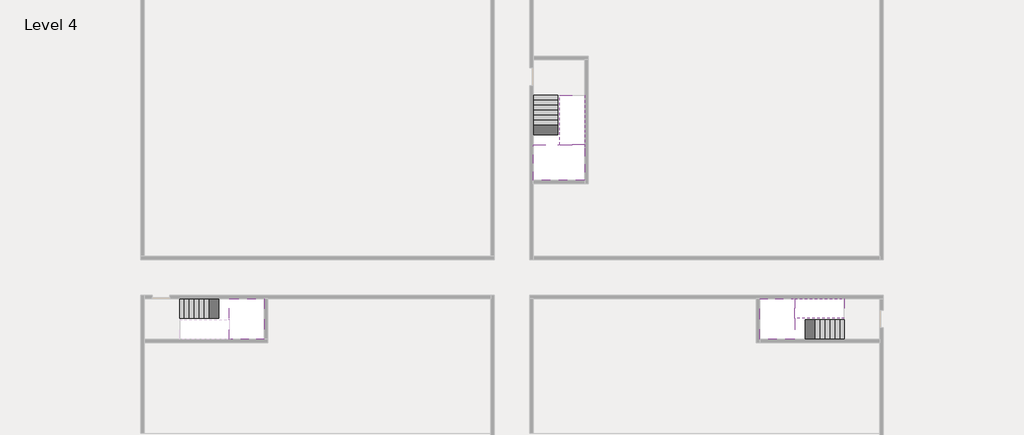
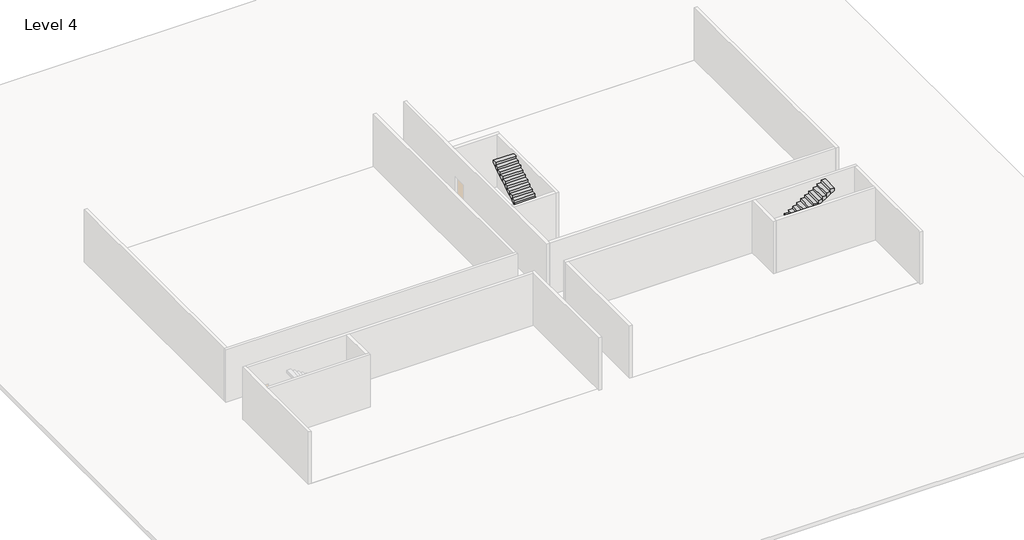
# One storey, part 2 of 2: 5 stair flights, 3 slabs.
"""IFC4 building model written with IfcOpenShell, lengths in millimetres."""

from ifc_helpers import new_model, si_unit, origin, place, context, project, spatial, faceted_brep, element, save

model = new_model("IFC4")

# Units and contexts
model_context = context("Model", 3, world=origin())
ifc_project = project(units=[si_unit("LENGTHUNIT", "METRE", prefix="MILLI")], contexts=[model_context])

# Site, building, storey
site = spatial("IfcSite", under=ifc_project)
building = spatial("IfcBuilding", under=site)
storey = spatial("IfcBuildingStorey", under=building, Name="Level 4", Elevation=11400.0)

# Slabs
placement = place(None, origin())
element("IfcSlab", 1, at=placement, inside=storey, context=model_context, shape_type="Brep", body=[
    faceted_brep([(8190.1058784, -42918.09644, 13300.0), (8190.1058784, -44018.09644, 13300.0), (8190.1058784, -44118.09644, 13300.0), (8190.1058784, -45218.09644, 13300.0), (8390.7194421, -45218.09644, 13300.0), (10190.1058784, -45218.09644, 13300.0), (10190.1058784, -42918.09644, 13300.0), (8269.4923146, -42918.09644, 13300.0), (8190.1058784, -42918.09644, 13127.2727273), (8190.1058784, -42918.09644, 12951.0278478), (8190.1058784, -44018.09644, 12951.0278478), (8190.1058784, -44018.09644, 13000.0), (8190.1058784, -44118.09644, 13000.0), (8190.1058784, -44118.09644, 13123.7551205), (8190.1058784, -45218.09644, 13123.7551205), (8390.7194421, -45218.09644, 13000.0), (10190.1058784, -45218.09644, 13000.0), (10190.1058784, -42918.09644, 13000.0), (8269.4923146, -42918.09644, 13000.0), (8390.7194421, -44118.09644, 13000.0), (8269.4923146, -44018.09644, 13000.0)], [[[0, 1, 2, 3, 4, 5, 6, 7]], [[1, 0, 8, 9, 10, 11]], [[2, 1, 11, 12, 13]], [[3, 2, 13, 14]], [[3, 14, 15, 16, 5, 4]], [[6, 5, 16, 17]], [[9, 8, 0, 7, 6, 17, 18]], [[19, 12, 11, 20, 18, 17, 16, 15]], [[12, 19, 13]], [[18, 20, 10, 9]], [[20, 11, 10]], [[19, 15, 14, 13]]]),
])
element("IfcSlab", 2, at=placement, inside=storey, context=model_context, shape_type="Brep", body=[
    faceted_brep([(40190.1058784, -45218.09644, 13300.0), (40190.1058784, -44118.09644, 13300.0), (40190.1058784, -44018.09644, 13300.0), (40190.1058784, -42918.09644, 13300.0), (39989.4923146, -42918.09644, 13300.0), (38190.1058784, -42918.09644, 13300.0), (38190.1058784, -45218.09644, 13300.0), (40110.7194421, -45218.09644, 13300.0), (40190.1058784, -45218.09644, 13127.2727273), (40190.1058784, -45218.09644, 12951.0278478), (40190.1058784, -44118.09644, 12951.0278478), (40190.1058784, -44118.09644, 13000.0), (40190.1058784, -44018.09644, 13000.0), (40190.1058784, -44018.09644, 13123.7551205), (40190.1058784, -42918.09644, 13123.7551205), (39989.4923146, -42918.09644, 13000.0), (38190.1058784, -42918.09644, 13000.0), (38190.1058784, -45218.09644, 13000.0), (40110.7194421, -45218.09644, 13000.0), (39989.4923146, -44018.09644, 13000.0), (40110.7194421, -44118.09644, 13000.0)], [[[0, 1, 2, 3, 4, 5, 6, 7]], [[1, 0, 8, 9, 10, 11]], [[2, 1, 11, 12, 13]], [[3, 2, 13, 14]], [[3, 14, 15, 16, 5, 4]], [[6, 5, 16, 17]], [[9, 8, 0, 7, 6, 17, 18]], [[19, 12, 11, 20, 18, 17, 16, 15]], [[12, 19, 13]], [[18, 20, 10, 9]], [[20, 11, 10]], [[19, 15, 14, 13]]]),
])
element("IfcSlab", 3, at=placement, inside=storey, context=model_context, shape_type="Brep", body=[
    faceted_brep([(26790.1058784, -34218.09644, 13300.0), (25390.1058784, -34218.09644, 13300.0), (25390.1058784, -34297.4828763, 13300.0), (25390.1058784, -36218.09644, 13300.0), (28290.1058784, -36218.09644, 13300.0), (28290.1058784, -34418.7100038, 13300.0), (28290.1058784, -34218.09644, 13300.0), (26890.1058784, -34218.09644, 13300.0), (26790.1058784, -34218.09644, 13000.0), (26790.1058784, -34218.09644, 12951.0278478), (25390.1058784, -34218.09644, 12951.0278478), (25390.1058784, -34218.09644, 13127.2727273), (25390.1058784, -34297.4828763, 13000.0), (25390.1058784, -36218.09644, 13000.0), (28290.1058784, -36218.09644, 13000.0), (28290.1058784, -34418.7100038, 13000.0), (28290.1058784, -34218.09644, 13123.7551205), (26890.1058784, -34218.09644, 13123.7551205), (26890.1058784, -34218.09644, 13000.0), (26890.1058784, -34418.7100038, 13000.0), (26790.1058784, -34297.4828763, 13000.0)], [[[0, 1, 2, 3, 4, 5, 6, 7]], [[1, 0, 8, 9, 10, 11]], [[1, 11, 10, 12, 13, 3, 2]], [[4, 3, 13, 14]], [[4, 14, 15, 16, 6, 5]], [[7, 6, 16, 17]], [[0, 7, 17, 18, 8]], [[18, 19, 15, 14, 13, 12, 20, 8]], [[19, 18, 17]], [[20, 12, 10, 9]], [[8, 20, 9]], [[15, 19, 17, 16]]]),
])

# Stair flights
element("IfcStairFlight", 4, at=placement, inside=storey, context=model_context, shape_type="Brep", body=[
    faceted_brep([(5670.1058784, -42918.09644, 11572.7272727), (5390.1058784, -42918.09644, 11572.7272727), (5390.1058784, -44018.09644, 11572.7272727), (5670.1058784, -44018.09644, 11572.7272727), (5670.1058784, -42918.09644, 11400.0), (5390.1058784, -42918.09644, 11400.0), (5390.1058784, -44018.09644, 11400.0), (5670.1058784, -44018.09644, 11400.0), (5950.1058784, -42918.09644, 11745.4545455), (5670.1058784, -42918.09644, 11745.4545455), (5670.1058784, -44018.09644, 11745.4545455), (5950.1058784, -44018.09644, 11745.4545455), (5950.1058784, -42918.09644, 11569.209666), (5675.8081041, -42918.09644, 11400.0), (5675.8081041, -44018.09644, 11400.0), (5950.1058784, -44018.09644, 11569.209666), (6230.1058784, -42918.09644, 11918.1818182), (5950.1058784, -42918.09644, 11918.1818182), (5950.1058784, -44018.09644, 11918.1818182), (6230.1058784, -44018.09644, 11918.1818182), (6230.1058784, -42918.09644, 11741.9369387), (6230.1058784, -44018.09644, 11741.9369387), (6510.1058784, -42918.09644, 12090.9090909), (6230.1058784, -42918.09644, 12090.9090909), (6230.1058784, -44018.09644, 12090.9090909), (6510.1058784, -44018.09644, 12090.9090909), (6510.1058784, -42918.09644, 11914.6642114), (6510.1058784, -44018.09644, 11914.6642114), (6790.1058784, -42918.09644, 12263.6363636), (6510.1058784, -42918.09644, 12263.6363636), (6510.1058784, -44018.09644, 12263.6363636), (6790.1058784, -44018.09644, 12263.6363636), (6790.1058784, -42918.09644, 12087.3914841), (6790.1058784, -44018.09644, 12087.3914841), (7070.1058784, -42918.09644, 12436.3636364), (6790.1058784, -42918.09644, 12436.3636364), (6790.1058784, -44018.09644, 12436.3636364), (7070.1058784, -44018.09644, 12436.3636364), (7070.1058784, -42918.09644, 12260.1187569), (7070.1058784, -44018.09644, 12260.1187569), (7350.1058784, -42918.09644, 12609.0909091), (7070.1058784, -42918.09644, 12609.0909091), (7070.1058784, -44018.09644, 12609.0909091), (7350.1058784, -44018.09644, 12609.0909091), (7350.1058784, -42918.09644, 12432.8460296), (7350.1058784, -44018.09644, 12432.8460296), (7630.1058784, -42918.09644, 12781.8181818), (7350.1058784, -42918.09644, 12781.8181818), (7350.1058784, -44018.09644, 12781.8181818), (7630.1058784, -44018.09644, 12781.8181818), (7630.1058784, -42918.09644, 12605.5733023), (7630.1058784, -44018.09644, 12605.5733023), (7910.1058784, -42918.09644, 12954.5454545), (7630.1058784, -42918.09644, 12954.5454545), (7630.1058784, -44018.09644, 12954.5454545), (7910.1058784, -44018.09644, 12954.5454545), (7910.1058784, -42918.09644, 12778.3005751), (7910.1058784, -44018.09644, 12778.3005751), (8190.1058784, -42918.09644, 13127.2727273), (7910.1058784, -42918.09644, 13127.2727273), (7910.1058784, -44018.09644, 13127.2727273), (8190.1058784, -44018.09644, 13127.2727273), (8190.1058784, -42918.09644, 12951.0278478), (8190.1058784, -44018.09644, 12951.0278478), (8190.1058784, -44018.09644, 13000.0)], [[[0, 1, 2, 3]], [[1, 0, 4, 5]], [[2, 1, 5, 6]], [[3, 2, 6, 7]], [[8, 9, 10, 11]], [[4, 0, 9, 8, 12, 13]], [[0, 3, 10, 9]], [[3, 7, 14, 15, 11, 10]], [[16, 17, 18, 19]], [[17, 16, 20, 12, 8]], [[8, 11, 18, 17]], [[19, 18, 11, 15, 21]], [[22, 23, 24, 25]], [[23, 22, 26, 20, 16]], [[16, 19, 24, 23]], [[25, 24, 19, 21, 27]], [[28, 29, 30, 31]], [[29, 28, 32, 26, 22]], [[22, 25, 30, 29]], [[31, 30, 25, 27, 33]], [[34, 35, 36, 37]], [[35, 34, 38, 32, 28]], [[28, 31, 36, 35]], [[37, 36, 31, 33, 39]], [[40, 41, 42, 43]], [[41, 40, 44, 38, 34]], [[34, 37, 42, 41]], [[43, 42, 37, 39, 45]], [[46, 47, 48, 49]], [[47, 46, 50, 44, 40]], [[40, 43, 48, 47]], [[49, 48, 43, 45, 51]], [[52, 53, 54, 55]], [[53, 52, 56, 50, 46]], [[46, 49, 54, 53]], [[55, 54, 49, 51, 57]], [[58, 59, 60, 61]], [[59, 58, 62, 56, 52]], [[52, 55, 60, 59]], [[61, 60, 55, 57, 63, 64]], [[58, 61, 64, 63, 62]], [[5, 4, 13, 14, 7, 6]], [[14, 13, 12, 20, 26, 32, 38, 44, 50, 56, 62, 63, 57, 51, 45, 39, 33, 27, 21, 15]]]),
])
element("IfcStairFlight", 5, at=placement, inside=storey, context=model_context, shape_type="Brep", body=[
    faceted_brep([(42710.1058784, -45218.09644, 11572.7272727), (42990.1058784, -45218.09644, 11572.7272727), (42990.1058784, -44118.09644, 11572.7272727), (42710.1058784, -44118.09644, 11572.7272727), (42710.1058784, -45218.09644, 11400.0), (42990.1058784, -45218.09644, 11400.0), (42990.1058784, -44118.09644, 11400.0), (42710.1058784, -44118.09644, 11400.0), (42430.1058784, -45218.09644, 11745.4545455), (42710.1058784, -45218.09644, 11745.4545455), (42710.1058784, -44118.09644, 11745.4545455), (42430.1058784, -44118.09644, 11745.4545455), (42430.1058784, -45218.09644, 11569.209666), (42704.4036527, -45218.09644, 11400.0), (42704.4036527, -44118.09644, 11400.0), (42430.1058784, -44118.09644, 11569.209666), (42150.1058784, -45218.09644, 11918.1818182), (42430.1058784, -45218.09644, 11918.1818182), (42430.1058784, -44118.09644, 11918.1818182), (42150.1058784, -44118.09644, 11918.1818182), (42150.1058784, -45218.09644, 11741.9369387), (42150.1058784, -44118.09644, 11741.9369387), (41870.1058784, -45218.09644, 12090.9090909), (42150.1058784, -45218.09644, 12090.9090909), (42150.1058784, -44118.09644, 12090.9090909), (41870.1058784, -44118.09644, 12090.9090909), (41870.1058784, -45218.09644, 11914.6642114), (41870.1058784, -44118.09644, 11914.6642114), (41590.1058784, -45218.09644, 12263.6363636), (41870.1058784, -45218.09644, 12263.6363636), (41870.1058784, -44118.09644, 12263.6363636), (41590.1058784, -44118.09644, 12263.6363636), (41590.1058784, -45218.09644, 12087.3914841), (41590.1058784, -44118.09644, 12087.3914841), (41310.1058784, -45218.09644, 12436.3636364), (41590.1058784, -45218.09644, 12436.3636364), (41590.1058784, -44118.09644, 12436.3636364), (41310.1058784, -44118.09644, 12436.3636364), (41310.1058784, -45218.09644, 12260.1187569), (41310.1058784, -44118.09644, 12260.1187569), (41030.1058784, -45218.09644, 12609.0909091), (41310.1058784, -45218.09644, 12609.0909091), (41310.1058784, -44118.09644, 12609.0909091), (41030.1058784, -44118.09644, 12609.0909091), (41030.1058784, -45218.09644, 12432.8460296), (41030.1058784, -44118.09644, 12432.8460296), (40750.1058784, -45218.09644, 12781.8181818), (41030.1058784, -45218.09644, 12781.8181818), (41030.1058784, -44118.09644, 12781.8181818), (40750.1058784, -44118.09644, 12781.8181818), (40750.1058784, -45218.09644, 12605.5733023), (40750.1058784, -44118.09644, 12605.5733023), (40470.1058784, -45218.09644, 12954.5454545), (40750.1058784, -45218.09644, 12954.5454545), (40750.1058784, -44118.09644, 12954.5454545), (40470.1058784, -44118.09644, 12954.5454545), (40470.1058784, -45218.09644, 12778.3005751), (40470.1058784, -44118.09644, 12778.3005751), (40190.1058784, -45218.09644, 13127.2727273), (40470.1058784, -45218.09644, 13127.2727273), (40470.1058784, -44118.09644, 13127.2727273), (40190.1058784, -44118.09644, 13127.2727273), (40190.1058784, -45218.09644, 12951.0278478), (40190.1058784, -44118.09644, 12951.0278478), (40190.1058784, -44118.09644, 13000.0)], [[[0, 1, 2, 3]], [[1, 0, 4, 5]], [[2, 1, 5, 6]], [[3, 2, 6, 7]], [[8, 9, 10, 11]], [[4, 0, 9, 8, 12, 13]], [[0, 3, 10, 9]], [[3, 7, 14, 15, 11, 10]], [[16, 17, 18, 19]], [[17, 16, 20, 12, 8]], [[8, 11, 18, 17]], [[19, 18, 11, 15, 21]], [[22, 23, 24, 25]], [[23, 22, 26, 20, 16]], [[16, 19, 24, 23]], [[25, 24, 19, 21, 27]], [[28, 29, 30, 31]], [[29, 28, 32, 26, 22]], [[22, 25, 30, 29]], [[31, 30, 25, 27, 33]], [[34, 35, 36, 37]], [[35, 34, 38, 32, 28]], [[28, 31, 36, 35]], [[37, 36, 31, 33, 39]], [[40, 41, 42, 43]], [[41, 40, 44, 38, 34]], [[34, 37, 42, 41]], [[43, 42, 37, 39, 45]], [[46, 47, 48, 49]], [[47, 46, 50, 44, 40]], [[40, 43, 48, 47]], [[49, 48, 43, 45, 51]], [[52, 53, 54, 55]], [[53, 52, 56, 50, 46]], [[46, 49, 54, 53]], [[55, 54, 49, 51, 57]], [[58, 59, 60, 61]], [[59, 58, 62, 56, 52]], [[52, 55, 60, 59]], [[61, 60, 55, 57, 63, 64]], [[58, 61, 64, 63, 62]], [[5, 4, 13, 14, 7, 6]], [[14, 13, 12, 20, 26, 32, 38, 44, 50, 56, 62, 63, 57, 51, 45, 39, 33, 27, 21, 15]]]),
])
element("IfcStairFlight", 6, at=placement, inside=storey, context=model_context, shape_type="Brep", body=[
    faceted_brep([(40470.1058784, -42918.09644, 13472.7272727), (40190.1058784, -42918.09644, 13472.7272727), (40190.1058784, -44018.09644, 13472.7272727), (40470.1058784, -44018.09644, 13472.7272727), (40470.1058784, -42918.09644, 13296.4823932), (40190.1058784, -42918.09644, 13123.7551205), (40190.1058784, -42918.09644, 13300.0), (40190.1058784, -44018.09644, 13123.7551205), (40470.1058784, -44018.09644, 13296.4823932), (40750.1058784, -42918.09644, 13645.4545455), (40470.1058784, -42918.09644, 13645.4545455), (40470.1058784, -44018.09644, 13645.4545455), (40750.1058784, -44018.09644, 13645.4545455), (40750.1058784, -42918.09644, 13469.209666), (40750.1058784, -44018.09644, 13469.209666), (41030.1058784, -42918.09644, 13818.1818182), (40750.1058784, -42918.09644, 13818.1818182), (40750.1058784, -44018.09644, 13818.1818182), (41030.1058784, -44018.09644, 13818.1818182), (41030.1058784, -42918.09644, 13641.9369387), (41030.1058784, -44018.09644, 13641.9369387), (41310.1058784, -42918.09644, 13990.9090909), (41030.1058784, -42918.09644, 13990.9090909), (41030.1058784, -44018.09644, 13990.9090909), (41310.1058784, -44018.09644, 13990.9090909), (41310.1058784, -42918.09644, 13814.6642114), (41310.1058784, -44018.09644, 13814.6642114), (41590.1058784, -42918.09644, 14163.6363636), (41310.1058784, -42918.09644, 14163.6363636), (41310.1058784, -44018.09644, 14163.6363636), (41590.1058784, -44018.09644, 14163.6363636), (41590.1058784, -42918.09644, 13987.3914841), (41590.1058784, -44018.09644, 13987.3914841), (41870.1058784, -42918.09644, 14336.3636364), (41590.1058784, -42918.09644, 14336.3636364), (41590.1058784, -44018.09644, 14336.3636364), (41870.1058784, -44018.09644, 14336.3636364), (41870.1058784, -42918.09644, 14160.1187569), (41870.1058784, -44018.09644, 14160.1187569), (42150.1058784, -42918.09644, 14509.0909091), (41870.1058784, -42918.09644, 14509.0909091), (41870.1058784, -44018.09644, 14509.0909091), (42150.1058784, -44018.09644, 14509.0909091), (42150.1058784, -42918.09644, 14332.8460296), (42150.1058784, -44018.09644, 14332.8460296), (42430.1058784, -42918.09644, 14681.8181818), (42150.1058784, -42918.09644, 14681.8181818), (42150.1058784, -44018.09644, 14681.8181818), (42430.1058784, -44018.09644, 14681.8181818), (42430.1058784, -42918.09644, 14505.5733023), (42430.1058784, -44018.09644, 14505.5733023), (42710.1058784, -42918.09644, 14854.5454545), (42430.1058784, -42918.09644, 14854.5454545), (42430.1058784, -44018.09644, 14854.5454545), (42710.1058784, -44018.09644, 14854.5454545), (42710.1058784, -42918.09644, 14678.3005751), (42710.1058784, -44018.09644, 14678.3005751), (42990.1058784, -42918.09644, 15027.2727273), (42710.1058784, -42918.09644, 15027.2727273), (42710.1058784, -44018.09644, 15027.2727273), (42990.1058784, -44018.09644, 15027.2727273), (42990.1058784, -42918.09644, 14851.0278478), (42990.1058784, -44018.09644, 14851.0278478)], [[[0, 1, 2, 3]], [[1, 0, 4, 5, 6]], [[2, 1, 6, 5, 7]], [[3, 2, 7, 8]], [[9, 10, 11, 12]], [[10, 9, 13, 4, 0]], [[11, 10, 0, 3]], [[12, 11, 3, 8, 14]], [[15, 16, 17, 18]], [[16, 15, 19, 13, 9]], [[17, 16, 9, 12]], [[18, 17, 12, 14, 20]], [[21, 22, 23, 24]], [[22, 21, 25, 19, 15]], [[23, 22, 15, 18]], [[24, 23, 18, 20, 26]], [[27, 28, 29, 30]], [[28, 27, 31, 25, 21]], [[29, 28, 21, 24]], [[30, 29, 24, 26, 32]], [[33, 34, 35, 36]], [[34, 33, 37, 31, 27]], [[35, 34, 27, 30]], [[36, 35, 30, 32, 38]], [[39, 40, 41, 42]], [[40, 39, 43, 37, 33]], [[41, 40, 33, 36]], [[42, 41, 36, 38, 44]], [[45, 46, 47, 48]], [[46, 45, 49, 43, 39]], [[47, 46, 39, 42]], [[48, 47, 42, 44, 50]], [[51, 52, 53, 54]], [[52, 51, 55, 49, 45]], [[53, 52, 45, 48]], [[54, 53, 48, 50, 56]], [[57, 58, 59, 60]], [[58, 57, 61, 55, 51]], [[59, 58, 51, 54]], [[60, 59, 54, 56, 62]], [[57, 60, 62, 61]], [[5, 4, 13, 19, 25, 31, 37, 43, 49, 55, 61, 62, 56, 50, 44, 38, 32, 26, 20, 14, 8, 7]]]),
])
element("IfcStairFlight", 7, at=placement, inside=storey, context=model_context, shape_type="Brep", body=[
    faceted_brep([(26790.1058784, -31698.09644, 11572.7272727), (26790.1058784, -31418.09644, 11572.7272727), (25390.1058784, -31418.09644, 11572.7272727), (25390.1058784, -31698.09644, 11572.7272727), (26790.1058784, -31698.09644, 11400.0), (26790.1058784, -31418.09644, 11400.0), (25390.1058784, -31418.09644, 11400.0), (25390.1058784, -31698.09644, 11400.0), (26790.1058784, -31978.09644, 11745.4545455), (26790.1058784, -31698.09644, 11745.4545455), (25390.1058784, -31698.09644, 11745.4545455), (25390.1058784, -31978.09644, 11745.4545455), (26790.1058784, -31978.09644, 11569.209666), (26790.1058784, -31703.7986657, 11400.0), (25390.1058784, -31703.7986657, 11400.0), (25390.1058784, -31978.09644, 11569.209666), (26790.1058784, -32258.09644, 11918.1818182), (26790.1058784, -31978.09644, 11918.1818182), (25390.1058784, -31978.09644, 11918.1818182), (25390.1058784, -32258.09644, 11918.1818182), (26790.1058784, -32258.09644, 11741.9369387), (25390.1058784, -32258.09644, 11741.9369387), (26790.1058784, -32538.09644, 12090.9090909), (26790.1058784, -32258.09644, 12090.9090909), (25390.1058784, -32258.09644, 12090.9090909), (25390.1058784, -32538.09644, 12090.9090909), (26790.1058784, -32538.09644, 11914.6642114), (25390.1058784, -32538.09644, 11914.6642114), (26790.1058784, -32818.09644, 12263.6363636), (26790.1058784, -32538.09644, 12263.6363636), (25390.1058784, -32538.09644, 12263.6363636), (25390.1058784, -32818.09644, 12263.6363636), (26790.1058784, -32818.09644, 12087.3914841), (25390.1058784, -32818.09644, 12087.3914841), (26790.1058784, -33098.09644, 12436.3636364), (26790.1058784, -32818.09644, 12436.3636364), (25390.1058784, -32818.09644, 12436.3636364), (25390.1058784, -33098.09644, 12436.3636364), (26790.1058784, -33098.09644, 12260.1187569), (25390.1058784, -33098.09644, 12260.1187569), (26790.1058784, -33378.09644, 12609.0909091), (26790.1058784, -33098.09644, 12609.0909091), (25390.1058784, -33098.09644, 12609.0909091), (25390.1058784, -33378.09644, 12609.0909091), (26790.1058784, -33378.09644, 12432.8460296), (25390.1058784, -33378.09644, 12432.8460296), (26790.1058784, -33658.09644, 12781.8181818), (26790.1058784, -33378.09644, 12781.8181818), (25390.1058784, -33378.09644, 12781.8181818), (25390.1058784, -33658.09644, 12781.8181818), (26790.1058784, -33658.09644, 12605.5733023), (25390.1058784, -33658.09644, 12605.5733023), (26790.1058784, -33938.09644, 12954.5454545), (26790.1058784, -33658.09644, 12954.5454545), (25390.1058784, -33658.09644, 12954.5454545), (25390.1058784, -33938.09644, 12954.5454545), (26790.1058784, -33938.09644, 12778.3005751), (25390.1058784, -33938.09644, 12778.3005751), (26790.1058784, -34218.09644, 13127.2727273), (26790.1058784, -33938.09644, 13127.2727273), (25390.1058784, -33938.09644, 13127.2727273), (25390.1058784, -34218.09644, 13127.2727273), (26790.1058784, -34218.09644, 13000.0), (26790.1058784, -34218.09644, 12951.0278478), (25390.1058784, -34218.09644, 12951.0278478)], [[[0, 1, 2, 3]], [[1, 0, 4, 5]], [[2, 1, 5, 6]], [[3, 2, 6, 7]], [[8, 9, 10, 11]], [[4, 0, 9, 8, 12, 13]], [[0, 3, 10, 9]], [[3, 7, 14, 15, 11, 10]], [[16, 17, 18, 19]], [[17, 16, 20, 12, 8]], [[8, 11, 18, 17]], [[19, 18, 11, 15, 21]], [[22, 23, 24, 25]], [[23, 22, 26, 20, 16]], [[16, 19, 24, 23]], [[25, 24, 19, 21, 27]], [[28, 29, 30, 31]], [[29, 28, 32, 26, 22]], [[22, 25, 30, 29]], [[31, 30, 25, 27, 33]], [[34, 35, 36, 37]], [[35, 34, 38, 32, 28]], [[28, 31, 36, 35]], [[37, 36, 31, 33, 39]], [[40, 41, 42, 43]], [[41, 40, 44, 38, 34]], [[34, 37, 42, 41]], [[43, 42, 37, 39, 45]], [[46, 47, 48, 49]], [[47, 46, 50, 44, 40]], [[40, 43, 48, 47]], [[49, 48, 43, 45, 51]], [[52, 53, 54, 55]], [[53, 52, 56, 50, 46]], [[46, 49, 54, 53]], [[55, 54, 49, 51, 57]], [[58, 59, 60, 61]], [[59, 58, 62, 63, 56, 52]], [[52, 55, 60, 59]], [[61, 60, 55, 57, 64]], [[58, 61, 64, 63, 62]], [[5, 4, 13, 14, 7, 6]], [[14, 13, 12, 20, 26, 32, 38, 44, 50, 56, 63, 64, 57, 51, 45, 39, 33, 27, 21, 15]]]),
])
element("IfcStairFlight", 8, at=placement, inside=storey, context=model_context, shape_type="Brep", body=[
    faceted_brep([(26890.1058784, -33938.09644, 13472.7272727), (26890.1058784, -34218.09644, 13472.7272727), (28290.1058784, -34218.09644, 13472.7272727), (28290.1058784, -33938.09644, 13472.7272727), (26890.1058784, -33938.09644, 13296.4823932), (26890.1058784, -34218.09644, 13123.7551205), (28290.1058784, -34218.09644, 13123.7551205), (28290.1058784, -34218.09644, 13300.0), (28290.1058784, -33938.09644, 13296.4823932), (26890.1058784, -33658.09644, 13645.4545455), (26890.1058784, -33938.09644, 13645.4545455), (28290.1058784, -33938.09644, 13645.4545455), (28290.1058784, -33658.09644, 13645.4545455), (26890.1058784, -33658.09644, 13469.209666), (28290.1058784, -33658.09644, 13469.209666), (26890.1058784, -33378.09644, 13818.1818182), (26890.1058784, -33658.09644, 13818.1818182), (28290.1058784, -33658.09644, 13818.1818182), (28290.1058784, -33378.09644, 13818.1818182), (26890.1058784, -33378.09644, 13641.9369387), (28290.1058784, -33378.09644, 13641.9369387), (26890.1058784, -33098.09644, 13990.9090909), (26890.1058784, -33378.09644, 13990.9090909), (28290.1058784, -33378.09644, 13990.9090909), (28290.1058784, -33098.09644, 13990.9090909), (26890.1058784, -33098.09644, 13814.6642114), (28290.1058784, -33098.09644, 13814.6642114), (26890.1058784, -32818.09644, 14163.6363636), (26890.1058784, -33098.09644, 14163.6363636), (28290.1058784, -33098.09644, 14163.6363636), (28290.1058784, -32818.09644, 14163.6363636), (26890.1058784, -32818.09644, 13987.3914841), (28290.1058784, -32818.09644, 13987.3914841), (26890.1058784, -32538.09644, 14336.3636364), (26890.1058784, -32818.09644, 14336.3636364), (28290.1058784, -32818.09644, 14336.3636364), (28290.1058784, -32538.09644, 14336.3636364), (26890.1058784, -32538.09644, 14160.1187569), (28290.1058784, -32538.09644, 14160.1187569), (26890.1058784, -32258.09644, 14509.0909091), (26890.1058784, -32538.09644, 14509.0909091), (28290.1058784, -32538.09644, 14509.0909091), (28290.1058784, -32258.09644, 14509.0909091), (26890.1058784, -32258.09644, 14332.8460296), (28290.1058784, -32258.09644, 14332.8460296), (26890.1058784, -31978.09644, 14681.8181818), (26890.1058784, -32258.09644, 14681.8181818), (28290.1058784, -32258.09644, 14681.8181818), (28290.1058784, -31978.09644, 14681.8181818), (26890.1058784, -31978.09644, 14505.5733023), (28290.1058784, -31978.09644, 14505.5733023), (26890.1058784, -31698.09644, 14854.5454545), (26890.1058784, -31978.09644, 14854.5454545), (28290.1058784, -31978.09644, 14854.5454545), (28290.1058784, -31698.09644, 14854.5454545), (26890.1058784, -31698.09644, 14678.3005751), (28290.1058784, -31698.09644, 14678.3005751), (26890.1058784, -31418.09644, 15027.2727273), (26890.1058784, -31698.09644, 15027.2727273), (28290.1058784, -31698.09644, 15027.2727273), (28290.1058784, -31418.09644, 15027.2727273), (26890.1058784, -31418.09644, 14851.0278478), (28290.1058784, -31418.09644, 14851.0278478)], [[[0, 1, 2, 3]], [[1, 0, 4, 5]], [[2, 1, 5, 6, 7]], [[3, 2, 7, 6, 8]], [[9, 10, 11, 12]], [[10, 9, 13, 4, 0]], [[11, 10, 0, 3]], [[12, 11, 3, 8, 14]], [[15, 16, 17, 18]], [[16, 15, 19, 13, 9]], [[17, 16, 9, 12]], [[18, 17, 12, 14, 20]], [[21, 22, 23, 24]], [[22, 21, 25, 19, 15]], [[23, 22, 15, 18]], [[24, 23, 18, 20, 26]], [[27, 28, 29, 30]], [[28, 27, 31, 25, 21]], [[29, 28, 21, 24]], [[30, 29, 24, 26, 32]], [[33, 34, 35, 36]], [[34, 33, 37, 31, 27]], [[35, 34, 27, 30]], [[36, 35, 30, 32, 38]], [[39, 40, 41, 42]], [[40, 39, 43, 37, 33]], [[41, 40, 33, 36]], [[42, 41, 36, 38, 44]], [[45, 46, 47, 48]], [[46, 45, 49, 43, 39]], [[47, 46, 39, 42]], [[48, 47, 42, 44, 50]], [[51, 52, 53, 54]], [[52, 51, 55, 49, 45]], [[53, 52, 45, 48]], [[54, 53, 48, 50, 56]], [[57, 58, 59, 60]], [[58, 57, 61, 55, 51]], [[59, 58, 51, 54]], [[60, 59, 54, 56, 62]], [[57, 60, 62, 61]], [[5, 4, 13, 19, 25, 31, 37, 43, 49, 55, 61, 62, 56, 50, 44, 38, 32, 26, 20, 14, 8, 6]]]),
])

save(model, "model.ifc")
